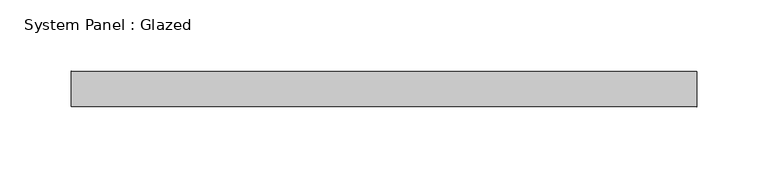
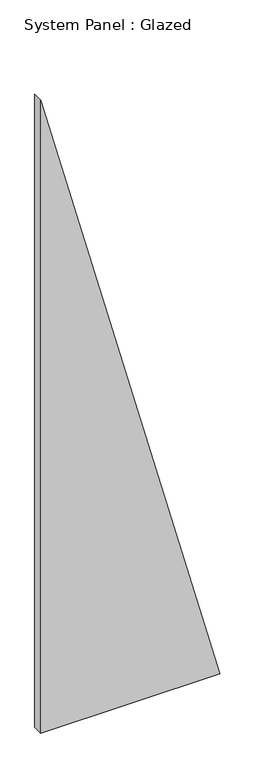
"""IFC4 building model written with IfcOpenShell, lengths in millimetres: plate geometry, System Panel : Glazed."""

import ifcopenshell
import ifcopenshell.guid

model = None  # the IFC model being written
_history = None  # IfcOwnerHistory: only IFC2X3 demands one
_inside = {}  # id of a spatial element -> (the spatial element, [elements in it])
_under = {}  # id of a project, library or spatial element -> (it, [spatial elements below it])
_declared = {}  # id of a project -> (the project, [libraries it declares])
_typed = {}  # id of a type object -> (the type object, [elements of that type])
_made_of = {}  # id of a material, layer set ... -> (it, [elements and type objects made of it])


def new_model(schema):
    """Start an empty IFC model of exactly this schema.

    Asked for "IFC4X3", IfcOpenShell would pick the latest addendum, in which some entities
    have other attributes; the version numbers below select the first issue.
    IFC2X3 requires an IfcOwnerHistory on every rooted entity: one is made here for all.
    """
    global model, _history
    if schema == "IFC4X3":
        model = ifcopenshell.file(schema_version=(4, 3, 0, 0))
    else:
        model = ifcopenshell.file(schema=schema)
    _inside.clear()
    _under.clear()
    _declared.clear()
    _typed.clear()
    _made_of.clear()
    _history = None
    if model.schema == "IFC2X3":
        org = make("IfcOrganization", Name="unknown")
        user = make(
            "IfcPersonAndOrganization",
            ThePerson=make("IfcPerson", FamilyName="unknown"),
            TheOrganization=org,
        )
        app = make(
            "IfcApplication",
            ApplicationDeveloper=org,
            Version="unknown",
            ApplicationFullName="unknown",
            ApplicationIdentifier="unknown",
        )
        _history = make(
            "IfcOwnerHistory",
            OwningUser=user,
            OwningApplication=app,
            ChangeAction="ADDED",
            CreationDate=0,
        )
    return model


def make(cls, **values):
    """One entity of the class cls with the attributes given. An attribute that is None is left unset."""
    return model.create_entity(
        cls, **{name: value for name, value in values.items() if value is not None}
    )


def rooted(cls, **values):
    """An entity with a GlobalId (a new one), such as an element, a storey or a relation."""
    return make(cls, GlobalId=ifcopenshell.guid.new(), OwnerHistory=_history, **values)


def si_unit(unit_type, name, prefix=None):
    """IfcSIUnit, for example si_unit("LENGTHUNIT", "METRE", prefix="MILLI")."""
    return make("IfcSIUnit", UnitType=unit_type, Prefix=prefix, Name=name)


def assignment(units):
    """IfcUnitAssignment: the units of a project."""
    return None if units is None else make("IfcUnitAssignment", Units=units)


def point(xyz):
    """IfcCartesianPoint."""
    return None if xyz is None else make("IfcCartesianPoint", Coordinates=xyz)


def direction(xyz):
    """IfcDirection."""
    return None if xyz is None else make("IfcDirection", DirectionRatios=xyz)


def frame(location, z_axis=None, x_axis=None):
    """IfcAxis2Placement3D, a coordinate frame: its origin and axes. An axis left out is left unset."""
    return make(
        "IfcAxis2Placement3D",
        Location=point(location),
        Axis=direction(z_axis),
        RefDirection=direction(x_axis),
    )


def origin():
    """The frame at (0, 0, 0) with its axes left unset."""
    return frame((0.0, 0.0, 0.0))


def place(relative_to, where):
    """IfcLocalPlacement: puts the frame where relative to a parent placement (None: the world)."""
    return make(
        "IfcLocalPlacement", PlacementRelTo=relative_to, RelativePlacement=where
    )


def context(
    kind, dimensions, precision=None, world=None, true_north=None, identifier=None
):
    """IfcGeometricRepresentationContext, for example the 3D "Model" context."""
    return make(
        "IfcGeometricRepresentationContext",
        ContextIdentifier=identifier,
        ContextType=kind,
        CoordinateSpaceDimension=dimensions,
        Precision=precision,
        WorldCoordinateSystem=world,
        TrueNorth=true_north,
    )


def project(units=None, contexts=None):
    """IfcProject with its units and contexts."""
    return rooted(
        "IfcProject",
        Name="project",
        RepresentationContexts=contexts,
        UnitsInContext=assignment(units),
    )


def spatial(cls, under=None, at=None, **own):
    """A site, building, storey or space (cls), placed at a placement, below another one or the project."""
    s = rooted(cls, ObjectPlacement=at, **own)
    if under is not None:
        _under.setdefault(under.id(), (under, []))[1].append(s)
    return s


def polyline(points):
    """IfcPolyline through the points."""
    return make("IfcPolyline", Points=[point(p) for p in points])


def outline(outer, holes=None, kind="AREA"):
    """IfcArbitraryClosedProfileDef: a profile drawn as a closed curve; with holes, ...WithVoids."""
    if holes is None:
        return make("IfcArbitraryClosedProfileDef", ProfileType=kind, OuterCurve=outer)
    return make(
        "IfcArbitraryProfileDefWithVoids",
        ProfileType=kind,
        OuterCurve=outer,
        InnerCurves=holes,
    )


def extrude(swept, where, along, depth):
    """IfcExtrudedAreaSolid: the profile swept, set in the frame where, extruded along a direction by depth."""
    return make(
        "IfcExtrudedAreaSolid",
        SweptArea=swept,
        Position=where,
        ExtrudedDirection=direction(along),
        Depth=depth,
    )


def shape(context_of_items, identifier, shape_type, items):
    """IfcShapeRepresentation: the items that make up one representation, for example the "Body"."""
    return make(
        "IfcShapeRepresentation",
        ContextOfItems=context_of_items,
        RepresentationIdentifier=identifier,
        RepresentationType=shape_type,
        Items=items,
    )


def source(mapping_origin, context_of_items, identifier, shape_type, items):
    """IfcRepresentationMap: a shape defined once, which mapped items show again and again."""
    return make(
        "IfcRepresentationMap",
        MappingOrigin=mapping_origin,
        MappedRepresentation=shape(context_of_items, identifier, shape_type, items),
    )


def transform(
    local_origin,
    x_axis=None,
    y_axis=None,
    z_axis=None,
    scale=None,
    scale2=None,
    scale3=None,
    uniform=True,
):
    """IfcCartesianTransformationOperator3D, or its non-uniform kind. x_axis, y_axis, z_axis: its Axis1, 2, 3."""
    if uniform:
        return make(
            "IfcCartesianTransformationOperator3D",
            Axis1=direction(x_axis),
            Axis2=direction(y_axis),
            LocalOrigin=point(local_origin),
            Scale=scale,
            Axis3=direction(z_axis),
        )
    return make(
        "IfcCartesianTransformationOperator3DnonUniform",
        Axis1=direction(x_axis),
        Axis2=direction(y_axis),
        LocalOrigin=point(local_origin),
        Scale=scale,
        Axis3=direction(z_axis),
        Scale2=scale2,
        Scale3=scale3,
    )


def mapped(mapping_source, mapping_target):
    """IfcMappedItem: shows the shape of a source again, moved by a transform."""
    return make(
        "IfcMappedItem", MappingSource=mapping_source, MappingTarget=mapping_target
    )


def made_of(thing, what):
    """Note that an element or type object is made of a material, layer set ...; save() writes the relation."""
    if what is not None:
        _made_of.setdefault(what.id(), (what, []))[1].append(thing)
    return thing


def element(
    cls,
    number,
    at=None,
    inside=None,
    cuts=None,
    type_object=None,
    material=None,
    context=None,
    identifier="Body",
    shape_type=None,
    held_by="IfcProductDefinitionShape",
    body=None,
    shapes=None,
    **own,
):
    """One element of the class cls, such as IfcWall. Its Tag is "e" and its number.

    at: its placement. inside: the storey or other place that contains it. cuts: it is an
    opening in that element (IfcRelVoidsElement). A single representation is given by context,
    identifier, shape_type and body (its items); several are given by shapes. held_by: the class
    of the entity that holds the representations. save() writes the other relations.
    """
    e = rooted(cls, Tag="e%d" % number, ObjectPlacement=at, **own)
    if body is not None:
        shapes = [shape(context, identifier, shape_type, body)]
    if shapes is not None:
        e.Representation = make(held_by, Representations=shapes)
    if inside is not None:
        _inside.setdefault(inside.id(), (inside, []))[1].append(e)
    if cuts is not None:
        rooted(
            "IfcRelVoidsElement", RelatingBuildingElement=cuts, RelatedOpeningElement=e
        )
    if type_object is not None:
        _typed.setdefault(type_object.id(), (type_object, []))[1].append(e)
    return made_of(e, material)


def aggregate(whole, parts):
    """IfcRelAggregates: a whole, such as a stair, and the parts it consists of."""
    return rooted("IfcRelAggregates", RelatingObject=whole, RelatedObjects=parts)


def save(model, path):
    """Write the relations noted so far, then the file.

    IfcRelAggregates (storeys below a building ...), IfcRelContainedInSpatialStructure (elements
    in a storey), IfcRelDefinesByType, IfcRelAssociatesMaterial and IfcRelDeclares: one each for
    every whole, place, type object, material and project.
    """
    for whole, parts in _under.values():
        aggregate(whole, parts)
    for where, things in _inside.values():
        rooted(
            "IfcRelContainedInSpatialStructure",
            RelatedElements=things,
            RelatingStructure=where,
        )
    for kind, things in _typed.values():
        rooted("IfcRelDefinesByType", RelatedObjects=things, RelatingType=kind)
    for what, things in _made_of.values():
        rooted("IfcRelAssociatesMaterial", RelatedObjects=things, RelatingMaterial=what)
    for by, libraries in _declared.values():
        rooted("IfcRelDeclares", RelatingContext=by, RelatedDefinitions=libraries)
    model.write(path)


def system_panel_glazed_86aaf1d2(model_context):
    return source(origin(), model_context, "Body", "SweptSolid", [
        extrude(outline(polyline([(0.0, -219.8982519), (0.0, 219.8982519), (1641.3428971, -219.8982519), (0.0, -219.8982519)])), frame((0.0, -22.5, 0.0), z_axis=(0.0, 1.0, 0.0), x_axis=(0.0, 0.0, 1.0)), (0.0, 0.0, 1.0), 25.0),
    ])


if __name__ == "__main__":
    model = new_model("IFC4")
    model_context = context("Model", 3, world=origin())
    ifc_project = project(units=[si_unit("LENGTHUNIT", "METRE", prefix="MILLI")], contexts=[model_context])
    site = spatial("IfcSite", under=ifc_project)
    building = spatial("IfcBuilding", under=site)
    placement = place(None, origin())
    system_panel_glazed_shape = system_panel_glazed_86aaf1d2(model_context)
    element("IfcPlate", 1, ObjectType="System Panel : Glazed", at=placement, inside=building, context=model_context, shape_type="MappedRepresentation", body=[
        mapped(system_panel_glazed_shape, transform((0.0, 0.0, 0.0), x_axis=(1.0, 0.0, 0.0), y_axis=(0.0, 1.0, 0.0), z_axis=(0.0, 0.0, 1.0))),
    ])
    save(model, "model.ifc")
